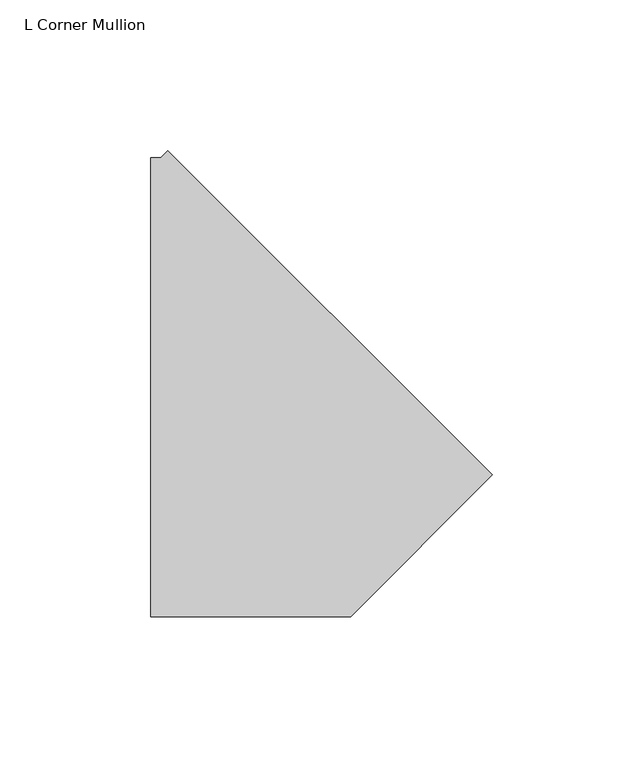
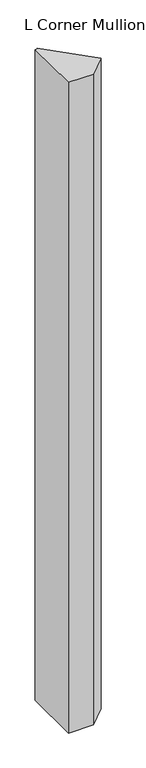
"""IFC4 building model written with IfcOpenShell, lengths in millimetres: member geometry, L Corner Mullion."""

import ifcopenshell
import ifcopenshell.guid

model = None  # the IFC model being written
_history = None  # IfcOwnerHistory: only IFC2X3 demands one
_inside = {}  # id of a spatial element -> (the spatial element, [elements in it])
_under = {}  # id of a project, library or spatial element -> (it, [spatial elements below it])
_declared = {}  # id of a project -> (the project, [libraries it declares])
_typed = {}  # id of a type object -> (the type object, [elements of that type])
_made_of = {}  # id of a material, layer set ... -> (it, [elements and type objects made of it])


def new_model(schema):
    """Start an empty IFC model of exactly this schema.

    Asked for "IFC4X3", IfcOpenShell would pick the latest addendum, in which some entities
    have other attributes; the version numbers below select the first issue.
    IFC2X3 requires an IfcOwnerHistory on every rooted entity: one is made here for all.
    """
    global model, _history
    if schema == "IFC4X3":
        model = ifcopenshell.file(schema_version=(4, 3, 0, 0))
    else:
        model = ifcopenshell.file(schema=schema)
    _inside.clear()
    _under.clear()
    _declared.clear()
    _typed.clear()
    _made_of.clear()
    _history = None
    if model.schema == "IFC2X3":
        org = make("IfcOrganization", Name="unknown")
        user = make(
            "IfcPersonAndOrganization",
            ThePerson=make("IfcPerson", FamilyName="unknown"),
            TheOrganization=org,
        )
        app = make(
            "IfcApplication",
            ApplicationDeveloper=org,
            Version="unknown",
            ApplicationFullName="unknown",
            ApplicationIdentifier="unknown",
        )
        _history = make(
            "IfcOwnerHistory",
            OwningUser=user,
            OwningApplication=app,
            ChangeAction="ADDED",
            CreationDate=0,
        )
    return model


def make(cls, **values):
    """One entity of the class cls with the attributes given. An attribute that is None is left unset."""
    return model.create_entity(
        cls, **{name: value for name, value in values.items() if value is not None}
    )


def rooted(cls, **values):
    """An entity with a GlobalId (a new one), such as an element, a storey or a relation."""
    return make(cls, GlobalId=ifcopenshell.guid.new(), OwnerHistory=_history, **values)


def si_unit(unit_type, name, prefix=None):
    """IfcSIUnit, for example si_unit("LENGTHUNIT", "METRE", prefix="MILLI")."""
    return make("IfcSIUnit", UnitType=unit_type, Prefix=prefix, Name=name)


def assignment(units):
    """IfcUnitAssignment: the units of a project."""
    return None if units is None else make("IfcUnitAssignment", Units=units)


def point(xyz):
    """IfcCartesianPoint."""
    return None if xyz is None else make("IfcCartesianPoint", Coordinates=xyz)


def direction(xyz):
    """IfcDirection."""
    return None if xyz is None else make("IfcDirection", DirectionRatios=xyz)


def frame(location, z_axis=None, x_axis=None):
    """IfcAxis2Placement3D, a coordinate frame: its origin and axes. An axis left out is left unset."""
    return make(
        "IfcAxis2Placement3D",
        Location=point(location),
        Axis=direction(z_axis),
        RefDirection=direction(x_axis),
    )


def origin():
    """The frame at (0, 0, 0) with its axes left unset."""
    return frame((0.0, 0.0, 0.0))


def place(relative_to, where):
    """IfcLocalPlacement: puts the frame where relative to a parent placement (None: the world)."""
    return make(
        "IfcLocalPlacement", PlacementRelTo=relative_to, RelativePlacement=where
    )


def context(
    kind, dimensions, precision=None, world=None, true_north=None, identifier=None
):
    """IfcGeometricRepresentationContext, for example the 3D "Model" context."""
    return make(
        "IfcGeometricRepresentationContext",
        ContextIdentifier=identifier,
        ContextType=kind,
        CoordinateSpaceDimension=dimensions,
        Precision=precision,
        WorldCoordinateSystem=world,
        TrueNorth=true_north,
    )


def project(units=None, contexts=None):
    """IfcProject with its units and contexts."""
    return rooted(
        "IfcProject",
        Name="project",
        RepresentationContexts=contexts,
        UnitsInContext=assignment(units),
    )


def spatial(cls, under=None, at=None, **own):
    """A site, building, storey or space (cls), placed at a placement, below another one or the project."""
    s = rooted(cls, ObjectPlacement=at, **own)
    if under is not None:
        _under.setdefault(under.id(), (under, []))[1].append(s)
    return s


def polyline(points):
    """IfcPolyline through the points."""
    return make("IfcPolyline", Points=[point(p) for p in points])


def outline(outer, holes=None, kind="AREA"):
    """IfcArbitraryClosedProfileDef: a profile drawn as a closed curve; with holes, ...WithVoids."""
    if holes is None:
        return make("IfcArbitraryClosedProfileDef", ProfileType=kind, OuterCurve=outer)
    return make(
        "IfcArbitraryProfileDefWithVoids",
        ProfileType=kind,
        OuterCurve=outer,
        InnerCurves=holes,
    )


def extrude(swept, where, along, depth):
    """IfcExtrudedAreaSolid: the profile swept, set in the frame where, extruded along a direction by depth."""
    return make(
        "IfcExtrudedAreaSolid",
        SweptArea=swept,
        Position=where,
        ExtrudedDirection=direction(along),
        Depth=depth,
    )


def shape(context_of_items, identifier, shape_type, items):
    """IfcShapeRepresentation: the items that make up one representation, for example the "Body"."""
    return make(
        "IfcShapeRepresentation",
        ContextOfItems=context_of_items,
        RepresentationIdentifier=identifier,
        RepresentationType=shape_type,
        Items=items,
    )


def source(mapping_origin, context_of_items, identifier, shape_type, items):
    """IfcRepresentationMap: a shape defined once, which mapped items show again and again."""
    return make(
        "IfcRepresentationMap",
        MappingOrigin=mapping_origin,
        MappedRepresentation=shape(context_of_items, identifier, shape_type, items),
    )


def transform(
    local_origin,
    x_axis=None,
    y_axis=None,
    z_axis=None,
    scale=None,
    scale2=None,
    scale3=None,
    uniform=True,
):
    """IfcCartesianTransformationOperator3D, or its non-uniform kind. x_axis, y_axis, z_axis: its Axis1, 2, 3."""
    if uniform:
        return make(
            "IfcCartesianTransformationOperator3D",
            Axis1=direction(x_axis),
            Axis2=direction(y_axis),
            LocalOrigin=point(local_origin),
            Scale=scale,
            Axis3=direction(z_axis),
        )
    return make(
        "IfcCartesianTransformationOperator3DnonUniform",
        Axis1=direction(x_axis),
        Axis2=direction(y_axis),
        LocalOrigin=point(local_origin),
        Scale=scale,
        Axis3=direction(z_axis),
        Scale2=scale2,
        Scale3=scale3,
    )


def mapped(mapping_source, mapping_target):
    """IfcMappedItem: shows the shape of a source again, moved by a transform."""
    return make(
        "IfcMappedItem", MappingSource=mapping_source, MappingTarget=mapping_target
    )


def made_of(thing, what):
    """Note that an element or type object is made of a material, layer set ...; save() writes the relation."""
    if what is not None:
        _made_of.setdefault(what.id(), (what, []))[1].append(thing)
    return thing


def element(
    cls,
    number,
    at=None,
    inside=None,
    cuts=None,
    type_object=None,
    material=None,
    context=None,
    identifier="Body",
    shape_type=None,
    held_by="IfcProductDefinitionShape",
    body=None,
    shapes=None,
    **own,
):
    """One element of the class cls, such as IfcWall. Its Tag is "e" and its number.

    at: its placement. inside: the storey or other place that contains it. cuts: it is an
    opening in that element (IfcRelVoidsElement). A single representation is given by context,
    identifier, shape_type and body (its items); several are given by shapes. held_by: the class
    of the entity that holds the representations. save() writes the other relations.
    """
    e = rooted(cls, Tag="e%d" % number, ObjectPlacement=at, **own)
    if body is not None:
        shapes = [shape(context, identifier, shape_type, body)]
    if shapes is not None:
        e.Representation = make(held_by, Representations=shapes)
    if inside is not None:
        _inside.setdefault(inside.id(), (inside, []))[1].append(e)
    if cuts is not None:
        rooted(
            "IfcRelVoidsElement", RelatingBuildingElement=cuts, RelatedOpeningElement=e
        )
    if type_object is not None:
        _typed.setdefault(type_object.id(), (type_object, []))[1].append(e)
    return made_of(e, material)


def aggregate(whole, parts):
    """IfcRelAggregates: a whole, such as a stair, and the parts it consists of."""
    return rooted("IfcRelAggregates", RelatingObject=whole, RelatedObjects=parts)


def save(model, path):
    """Write the relations noted so far, then the file.

    IfcRelAggregates (storeys below a building ...), IfcRelContainedInSpatialStructure (elements
    in a storey), IfcRelDefinesByType, IfcRelAssociatesMaterial and IfcRelDeclares: one each for
    every whole, place, type object, material and project.
    """
    for whole, parts in _under.values():
        aggregate(whole, parts)
    for where, things in _inside.values():
        rooted(
            "IfcRelContainedInSpatialStructure",
            RelatedElements=things,
            RelatingStructure=where,
        )
    for kind, things in _typed.values():
        rooted("IfcRelDefinesByType", RelatedObjects=things, RelatingType=kind)
    for what, things in _made_of.values():
        rooted("IfcRelAssociatesMaterial", RelatedObjects=things, RelatingMaterial=what)
    for by, libraries in _declared.values():
        rooted("IfcRelDeclares", RelatingContext=by, RelatedDefinitions=libraries)
    model.write(path)


def l_corner_mullion_f7d30d04(model_context):
    return source(origin(), model_context, "Body", "SweptSolid", [
        extrude(outline(polyline([(98.304162, -76.8108324), (51.2899944, -123.825), (-15.1980791, -123.825), (-15.1980791, 28.575), (-11.8361525, 28.575), (-9.4589115, 30.9522411), (98.304162, -76.8108324)])), frame((0.0, 0.0, -1828.8), z_axis=(0.0, 0.0, 1.0), x_axis=(1.0, 0.0, 0.0)), (0.0, 0.0, 1.0), 1828.8),
    ])


if __name__ == "__main__":
    model = new_model("IFC4")
    model_context = context("Model", 3, world=origin())
    ifc_project = project(units=[si_unit("LENGTHUNIT", "METRE", prefix="MILLI")], contexts=[model_context])
    site = spatial("IfcSite", under=ifc_project)
    building = spatial("IfcBuilding", under=site)
    placement = place(None, origin())
    l_corner_mullion_shape = l_corner_mullion_f7d30d04(model_context)
    element("IfcMember", 1, ObjectType="L Corner Mullion", at=placement, inside=building, context=model_context, shape_type="MappedRepresentation", body=[
        mapped(l_corner_mullion_shape, transform((0.0, 0.0, 0.0), x_axis=(1.0, 0.0, 0.0), y_axis=(0.0, 1.0, 0.0), z_axis=(0.0, 0.0, 1.0))),
    ])
    save(model, "model.ifc")
